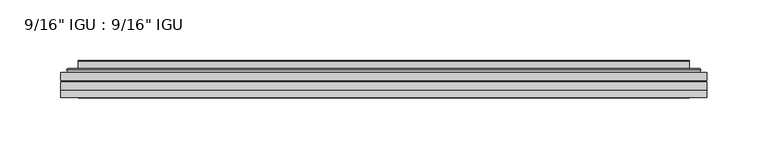
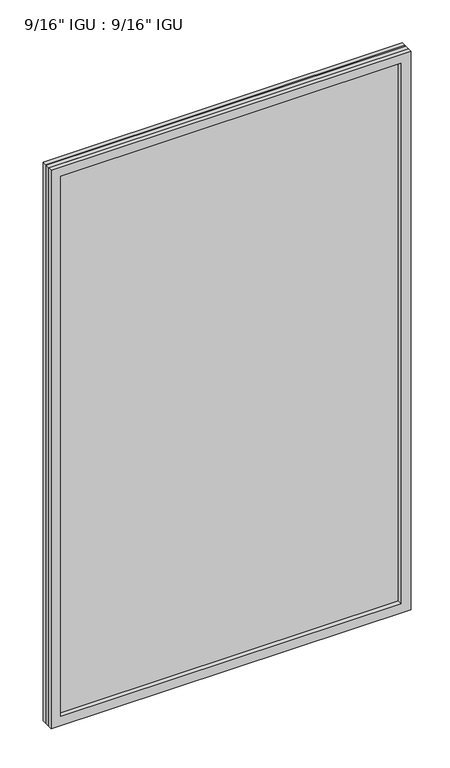
"""IFC4 building model written with IfcOpenShell, lengths in millimetres: plate geometry."""

import ifcopenshell
import ifcopenshell.guid

model = None  # the IFC model being written
_history = None  # IfcOwnerHistory: only IFC2X3 demands one
_inside = {}  # id of a spatial element -> (the spatial element, [elements in it])
_under = {}  # id of a project, library or spatial element -> (it, [spatial elements below it])
_declared = {}  # id of a project -> (the project, [libraries it declares])
_typed = {}  # id of a type object -> (the type object, [elements of that type])
_made_of = {}  # id of a material, layer set ... -> (it, [elements and type objects made of it])


def new_model(schema):
    """Start an empty IFC model of exactly this schema.

    Asked for "IFC4X3", IfcOpenShell would pick the latest addendum, in which some entities
    have other attributes; the version numbers below select the first issue.
    IFC2X3 requires an IfcOwnerHistory on every rooted entity: one is made here for all.
    """
    global model, _history
    if schema == "IFC4X3":
        model = ifcopenshell.file(schema_version=(4, 3, 0, 0))
    else:
        model = ifcopenshell.file(schema=schema)
    _inside.clear()
    _under.clear()
    _declared.clear()
    _typed.clear()
    _made_of.clear()
    _history = None
    if model.schema == "IFC2X3":
        org = make("IfcOrganization", Name="unknown")
        user = make(
            "IfcPersonAndOrganization",
            ThePerson=make("IfcPerson", FamilyName="unknown"),
            TheOrganization=org,
        )
        app = make(
            "IfcApplication",
            ApplicationDeveloper=org,
            Version="unknown",
            ApplicationFullName="unknown",
            ApplicationIdentifier="unknown",
        )
        _history = make(
            "IfcOwnerHistory",
            OwningUser=user,
            OwningApplication=app,
            ChangeAction="ADDED",
            CreationDate=0,
        )
    return model


def make(cls, **values):
    """One entity of the class cls with the attributes given. An attribute that is None is left unset."""
    return model.create_entity(
        cls, **{name: value for name, value in values.items() if value is not None}
    )


def rooted(cls, **values):
    """An entity with a GlobalId (a new one), such as an element, a storey or a relation."""
    return make(cls, GlobalId=ifcopenshell.guid.new(), OwnerHistory=_history, **values)


def si_unit(unit_type, name, prefix=None):
    """IfcSIUnit, for example si_unit("LENGTHUNIT", "METRE", prefix="MILLI")."""
    return make("IfcSIUnit", UnitType=unit_type, Prefix=prefix, Name=name)


def assignment(units):
    """IfcUnitAssignment: the units of a project."""
    return None if units is None else make("IfcUnitAssignment", Units=units)


def point(xyz):
    """IfcCartesianPoint."""
    return None if xyz is None else make("IfcCartesianPoint", Coordinates=xyz)


def direction(xyz):
    """IfcDirection."""
    return None if xyz is None else make("IfcDirection", DirectionRatios=xyz)


def frame(location, z_axis=None, x_axis=None):
    """IfcAxis2Placement3D, a coordinate frame: its origin and axes. An axis left out is left unset."""
    return make(
        "IfcAxis2Placement3D",
        Location=point(location),
        Axis=direction(z_axis),
        RefDirection=direction(x_axis),
    )


def origin():
    """The frame at (0, 0, 0) with its axes left unset."""
    return frame((0.0, 0.0, 0.0))


def place(relative_to, where):
    """IfcLocalPlacement: puts the frame where relative to a parent placement (None: the world)."""
    return make(
        "IfcLocalPlacement", PlacementRelTo=relative_to, RelativePlacement=where
    )


def context(
    kind, dimensions, precision=None, world=None, true_north=None, identifier=None
):
    """IfcGeometricRepresentationContext, for example the 3D "Model" context."""
    return make(
        "IfcGeometricRepresentationContext",
        ContextIdentifier=identifier,
        ContextType=kind,
        CoordinateSpaceDimension=dimensions,
        Precision=precision,
        WorldCoordinateSystem=world,
        TrueNorth=true_north,
    )


def project(units=None, contexts=None):
    """IfcProject with its units and contexts."""
    return rooted(
        "IfcProject",
        Name="project",
        RepresentationContexts=contexts,
        UnitsInContext=assignment(units),
    )


def spatial(cls, under=None, at=None, **own):
    """A site, building, storey or space (cls), placed at a placement, below another one or the project."""
    s = rooted(cls, ObjectPlacement=at, **own)
    if under is not None:
        _under.setdefault(under.id(), (under, []))[1].append(s)
    return s


def polyline(points):
    """IfcPolyline through the points."""
    return make("IfcPolyline", Points=[point(p) for p in points])


def ellipse_curve(where, semi_axis1, semi_axis2):
    """IfcEllipse in the frame where."""
    return make(
        "IfcEllipse", Position=where, SemiAxis1=semi_axis1, SemiAxis2=semi_axis2
    )


def outline(outer, holes=None, kind="AREA"):
    """IfcArbitraryClosedProfileDef: a profile drawn as a closed curve; with holes, ...WithVoids."""
    if holes is None:
        return make("IfcArbitraryClosedProfileDef", ProfileType=kind, OuterCurve=outer)
    return make(
        "IfcArbitraryProfileDefWithVoids",
        ProfileType=kind,
        OuterCurve=outer,
        InnerCurves=holes,
    )


def extrude(swept, where, along, depth):
    """IfcExtrudedAreaSolid: the profile swept, set in the frame where, extruded along a direction by depth."""
    return make(
        "IfcExtrudedAreaSolid",
        SweptArea=swept,
        Position=where,
        ExtrudedDirection=direction(along),
        Depth=depth,
    )


def faces_of(points, faces, orient=None, outer=None):
    """IfcFace entities. A face is a list of loops; a loop is a list of indices into points, from 0.

    orient and outer hold one flag for each loop. By default every Orientation is true, the
    first loop of a face is its IfcFaceOuterBound and the others are IfcFaceBound.
    """
    made = []
    for i, loops in enumerate(faces):
        bounds = []
        for j, loop in enumerate(loops):
            is_outer = j == 0 if outer is None else outer[i][j]
            bounds.append(
                make(
                    "IfcFaceOuterBound" if is_outer else "IfcFaceBound",
                    Bound=make("IfcPolyLoop", Polygon=[points[k] for k in loop]),
                    Orientation=True if orient is None else orient[i][j],
                )
            )
        made.append(make("IfcFace", Bounds=bounds))
    return made


def faceted_brep(points, faces, orient=None, outer=None, voids=None):
    """IfcFacetedBrep: a solid bounded by flat faces; with voids (closed shells), ...WithVoids."""
    shared = [point(p) for p in points]
    hull = make("IfcClosedShell", CfsFaces=faces_of(shared, faces, orient, outer))
    if voids is None:
        return make("IfcFacetedBrep", Outer=hull)
    return make(
        "IfcFacetedBrepWithVoids",
        Outer=hull,
        Voids=[
            make(cls, CfsFaces=faces_of(shared, fs, o, b)) for cls, fs, o, b in voids
        ],
    )


def shape(context_of_items, identifier, shape_type, items):
    """IfcShapeRepresentation: the items that make up one representation, for example the "Body"."""
    return make(
        "IfcShapeRepresentation",
        ContextOfItems=context_of_items,
        RepresentationIdentifier=identifier,
        RepresentationType=shape_type,
        Items=items,
    )


def source(mapping_origin, context_of_items, identifier, shape_type, items):
    """IfcRepresentationMap: a shape defined once, which mapped items show again and again."""
    return make(
        "IfcRepresentationMap",
        MappingOrigin=mapping_origin,
        MappedRepresentation=shape(context_of_items, identifier, shape_type, items),
    )


def transform(
    local_origin,
    x_axis=None,
    y_axis=None,
    z_axis=None,
    scale=None,
    scale2=None,
    scale3=None,
    uniform=True,
):
    """IfcCartesianTransformationOperator3D, or its non-uniform kind. x_axis, y_axis, z_axis: its Axis1, 2, 3."""
    if uniform:
        return make(
            "IfcCartesianTransformationOperator3D",
            Axis1=direction(x_axis),
            Axis2=direction(y_axis),
            LocalOrigin=point(local_origin),
            Scale=scale,
            Axis3=direction(z_axis),
        )
    return make(
        "IfcCartesianTransformationOperator3DnonUniform",
        Axis1=direction(x_axis),
        Axis2=direction(y_axis),
        LocalOrigin=point(local_origin),
        Scale=scale,
        Axis3=direction(z_axis),
        Scale2=scale2,
        Scale3=scale3,
    )


def mapped(mapping_source, mapping_target):
    """IfcMappedItem: shows the shape of a source again, moved by a transform."""
    return make(
        "IfcMappedItem", MappingSource=mapping_source, MappingTarget=mapping_target
    )


def made_of(thing, what):
    """Note that an element or type object is made of a material, layer set ...; save() writes the relation."""
    if what is not None:
        _made_of.setdefault(what.id(), (what, []))[1].append(thing)
    return thing


def element(
    cls,
    number,
    at=None,
    inside=None,
    cuts=None,
    type_object=None,
    material=None,
    context=None,
    identifier="Body",
    shape_type=None,
    held_by="IfcProductDefinitionShape",
    body=None,
    shapes=None,
    **own,
):
    """One element of the class cls, such as IfcWall. Its Tag is "e" and its number.

    at: its placement. inside: the storey or other place that contains it. cuts: it is an
    opening in that element (IfcRelVoidsElement). A single representation is given by context,
    identifier, shape_type and body (its items); several are given by shapes. held_by: the class
    of the entity that holds the representations. save() writes the other relations.
    """
    e = rooted(cls, Tag="e%d" % number, ObjectPlacement=at, **own)
    if body is not None:
        shapes = [shape(context, identifier, shape_type, body)]
    if shapes is not None:
        e.Representation = make(held_by, Representations=shapes)
    if inside is not None:
        _inside.setdefault(inside.id(), (inside, []))[1].append(e)
    if cuts is not None:
        rooted(
            "IfcRelVoidsElement", RelatingBuildingElement=cuts, RelatedOpeningElement=e
        )
    if type_object is not None:
        _typed.setdefault(type_object.id(), (type_object, []))[1].append(e)
    return made_of(e, material)


def aggregate(whole, parts):
    """IfcRelAggregates: a whole, such as a stair, and the parts it consists of."""
    return rooted("IfcRelAggregates", RelatingObject=whole, RelatedObjects=parts)


def save(model, path):
    """Write the relations noted so far, then the file.

    IfcRelAggregates (storeys below a building ...), IfcRelContainedInSpatialStructure (elements
    in a storey), IfcRelDefinesByType, IfcRelAssociatesMaterial and IfcRelDeclares: one each for
    every whole, place, type object, material and project.
    """
    for whole, parts in _under.values():
        aggregate(whole, parts)
    for where, things in _inside.values():
        rooted(
            "IfcRelContainedInSpatialStructure",
            RelatedElements=things,
            RelatingStructure=where,
        )
    for kind, things in _typed.values():
        rooted("IfcRelDefinesByType", RelatedObjects=things, RelatingType=kind)
    for what, things in _made_of.values():
        rooted("IfcRelAssociatesMaterial", RelatedObjects=things, RelatingMaterial=what)
    for by, libraries in _declared.values():
        rooted("IfcRelDeclares", RelatingContext=by, RelatedDefinitions=libraries)
    model.write(path)


def plane_surface(at):
    """IfcPlane: the flat surface through the origin of the frame at, square to its z axis."""
    return make("IfcPlane", Position=at)


def cylinder_surface(at, radius):
    """IfcCylindricalSurface: all points at the distance radius from the z axis of the frame at."""
    return make("IfcCylindricalSurface", Position=at, Radius=radius)


def advanced_brep(points, edges, surfaces, faces):
    """IfcAdvancedBrep: a solid bounded by faces that lie on surfaces and meet in shared edges.

    An edge is (start, end): straight between two places in points (the first is 0);
    or (start, end, curve); or (start, end, curve, False) where it runs against its curve.
    A face is (place in surfaces, loops), or (place, loops, False) where it looks against
    its surface's normal. A loop lists edges by number (the first is 1), with a minus sign
    where the edge is run from its end to its start. The first loop is the outer one.
    """
    corners = [point(p) for p in points]
    vertices = [make("IfcVertexPoint", VertexGeometry=c) for c in corners]
    made = []
    for start, end, *more in edges:
        made.append(
            make(
                "IfcEdgeCurve",
                EdgeStart=vertices[start],
                EdgeEnd=vertices[end],
                EdgeGeometry=more[0] if more else make("IfcPolyline", Points=[corners[start], corners[end]]),
                SameSense=more[1] if len(more) > 1 else True,
            )
        )
    hull = []
    for where, loops, *sense in faces:
        bounds = []
        for j, loop in enumerate(loops):
            ring = [make("IfcOrientedEdge", EdgeElement=made[abs(k) - 1], Orientation=k > 0) for k in loop]
            bounds.append(
                make(
                    "IfcFaceOuterBound" if j == 0 else "IfcFaceBound",
                    Bound=make("IfcEdgeLoop", EdgeList=ring),
                    Orientation=True,
                )
            )
        hull.append(make("IfcAdvancedFace", Bounds=bounds, FaceSurface=surfaces[where], SameSense=sense[0] if sense else True))
    return make("IfcAdvancedBrep", Outer=make("IfcClosedShell", CfsFaces=hull))


def plate_fac97e2d(model_context):
    return source(origin(), model_context, "Body", "SolidModel", [
        extrude(outline(polyline([(265.126675, -54.78145), (265.126675, -61.1317818), (-265.1125, -61.1317818), (-265.1125, -54.78145), (265.126675, -54.78145)])), frame((0.0, 0.0, -14.2875), z_axis=(0.0, 0.0, 1.0), x_axis=(1.0, 0.0, 0.0)), (0.0, 0.0, 1.0), 869.9537979),
        extrude(outline(polyline([(-265.1125, -69.05625), (-265.1125, -62.705745), (265.126675, -62.705745), (265.126675, -69.05625), (-265.1125, -69.05625)])), frame((0.0, 0.0, -14.2875), z_axis=(0.0, 0.0, 1.0), x_axis=(1.0, 0.0, 0.0)), (0.0, 0.0, 1.0), 869.9537979),
        faceted_brep([(-265.1252, -75.40625, 855.6752), (-265.1252, -69.05625, 855.6752), (-265.1252, -69.05625, -14.3002), (-265.1252, -75.40625, -14.3002), (265.1252, -69.05625, -14.3002), (265.1252, -75.40625, -14.3002), (265.1252, -69.05625, 855.6752), (265.1252, -75.40625, 855.6752), (-249.9272559, -69.05625, 0.8977441), (249.9272559, -69.05625, 0.8977441), (249.9272559, -69.05625, 840.4772559), (-249.9272559, -69.05625, 840.4772559), (-250.8196902, -75.40625, 841.3696902), (250.8196902, -75.40625, 841.3696902), (250.8196902, -75.40625, 0.0053098), (-250.8196902, -75.40625, 0.0053098)], [[[0, 1, 2, 3]], [[3, 2, 4, 5]], [[5, 4, 6, 7]], [[1, 6, 4, 2], [8, 9, 10, 11]], [[7, 6, 1, 0]], [[3, 5, 7, 0], [12, 13, 14, 15]], [[11, 12, 15, 8]], [[8, 15, 14, 9]], [[9, 14, 13, 10]], [[10, 13, 12, 11]]]),
        advanced_brep(
        [(-257.871219, -54.78145, 848.421219), (-260.2254244, -52.7917833, 850.7754244), (-260.2254244, -52.7917833, -9.4004244), (-257.871219, -54.78145, -7.046219), (-248.7968939, -50.941413, 839.3468939), (-243.8620621, -54.78145, 834.4120621), (-243.8620621, -54.78145, 6.9629379), (-248.7968939, -50.941413, 2.0281061), (-249.8289217, -45.5441819, 840.3789217), (-249.8289217, -45.5441819, 0.9960783), (-250.8195784, -45.1452069, 841.3695784), (-250.8195784, -45.1452069, 0.0054216), (-250.8195784, -51.60645, 841.3695784), (-250.8195784, -51.60645, 0.0054216), (-259.2236349, -51.60645, 849.7736349), (-259.2236349, -51.60645, -8.3986349), (260.2254244, -52.7917833, -9.4004244), (257.871219, -54.78145, -7.046219), (243.8620621, -54.78145, 6.9629379), (248.7968939, -50.941413, 2.0281061), (249.8289217, -45.5441819, 0.9960783), (250.8195784, -45.1452069, 0.0054216), (250.8195784, -51.60645, 0.0054216), (259.2236349, -51.60645, -8.3986349), (260.2254244, -52.7917833, 850.7754244), (257.871219, -54.78145, 848.421219), (243.8620621, -54.78145, 834.4120621), (248.7968939, -50.941413, 839.3468939), (249.8289217, -45.5441819, 840.3789217), (250.8195784, -45.1452069, 841.3695784), (250.8195784, -51.60645, 841.3695784), (259.2236349, -51.60645, 849.7736349)],
        [
            (0, 1, ellipse_curve(frame((-257.871219, -52.39385, 848.421219), z_axis=(-0.7071067811865475, 0.0, -0.7071067811865475), x_axis=(-0.7071067811865474, 0.0, 0.7071067811865476)), 3.3765763, 2.3876)),
            (1, 2),
            (2, 3, ellipse_curve(frame((-257.871219, -52.39385, -7.046219), z_axis=(-0.7071067811865475, 0.0, 0.7071067811865475), x_axis=(0.7071067811865474, 0.0, 0.7071067811865476)), 3.3765763, 2.3876)),
            (3, 0),
            (4, 5),
            (5, 6),
            (6, 7),
            (7, 4),
            (8, 4),
            (7, 9),
            (9, 8),
            (10, 8, ellipse_curve(frame((-250.4526219, -45.6634423, 841.0026219), z_axis=(-0.7071067811865475, 0.0, -0.7071067811865475), x_axis=(-0.7071067811865474, 0.0, 0.7071067811865476)), 0.8980256, 0.635)),
            (9, 11, ellipse_curve(frame((-250.4526219, -45.6634423, 0.3723781), z_axis=(-0.7071067811865475, 0.0, 0.7071067811865475), x_axis=(0.7071067811865474, 0.0, 0.7071067811865476)), 0.8980256, 0.635)),
            (11, 10),
            (12, 10),
            (11, 13),
            (13, 12),
            (1, 14, ellipse_curve(frame((-259.2236349, -52.62245, 849.7736349), z_axis=(-0.7071067811865475, 0.0, -0.7071067811865475), x_axis=(-0.7071067811865474, 0.0, 0.7071067811865476)), 1.436841, 1.016)),
            (14, 15),
            (15, 2, ellipse_curve(frame((-259.2236349, -52.62245, -8.3986349), z_axis=(-0.7071067811865475, 0.0, 0.7071067811865475), x_axis=(0.7071067811865474, 0.0, 0.7071067811865476)), 1.436841, 1.016)),
            (2, 16),
            (16, 17, ellipse_curve(frame((257.871219, -52.39385, -7.046219), z_axis=(-0.7071067811865475, 0.0, -0.7071067811865475), x_axis=(-0.7071067811865476, 0.0, 0.7071067811865474)), 3.3765763, 2.3876)),
            (17, 3),
            (6, 18),
            (18, 19),
            (19, 7),
            (19, 20),
            (20, 9),
            (20, 21, ellipse_curve(frame((250.4526219, -45.6634423, 0.3723781), z_axis=(-0.7071067811865475, 0.0, -0.7071067811865475), x_axis=(-0.7071067811865476, 0.0, 0.7071067811865474)), 0.8980256, 0.635)),
            (21, 11),
            (21, 22),
            (22, 13),
            (15, 23),
            (23, 16, ellipse_curve(frame((259.2236349, -52.62245, -8.3986349), z_axis=(-0.7071067811865475, 0.0, -0.7071067811865475), x_axis=(-0.7071067811865476, 0.0, 0.7071067811865474)), 1.436841, 1.016)),
            (16, 24),
            (24, 25, ellipse_curve(frame((257.871219, -52.39385, 848.421219), z_axis=(0.7071067811865475, 0.0, -0.7071067811865475), x_axis=(-0.7071067811865474, 0.0, -0.7071067811865476)), 3.3765763, 2.3876)),
            (25, 17),
            (18, 26),
            (26, 27),
            (27, 19),
            (27, 28),
            (28, 20),
            (28, 29, ellipse_curve(frame((250.4526219, -45.6634423, 841.0026219), z_axis=(0.7071067811865475, 0.0, -0.7071067811865475), x_axis=(-0.7071067811865474, 0.0, -0.7071067811865476)), 0.8980256, 0.635)),
            (29, 21),
            (29, 30),
            (30, 22),
            (23, 31),
            (31, 24, ellipse_curve(frame((259.2236349, -52.62245, 849.7736349), z_axis=(0.7071067811865475, 0.0, -0.7071067811865475), x_axis=(-0.7071067811865474, 0.0, -0.7071067811865476)), 1.436841, 1.016)),
            (24, 1),
            (0, 25),
            (5, 26),
            (4, 27),
            (8, 28),
            (10, 29),
            (12, 30),
            (14, 31),
        ],
        [
            cylinder_surface(frame((-257.871219, -52.39385, 873.125), z_axis=(0.0, 0.0, 1.0), x_axis=(-1.0, 0.0, 0.0)), 2.3876),
            plane_surface(frame((-243.8620621, -54.78145, 834.4120621), z_axis=(0.6141233906514794, 0.7892100234124821, 0.0), x_axis=(0.0, 0.0, -1.0))),
            plane_surface(frame((-248.7968939, -50.941413, 839.3468939), z_axis=(0.9822050625507728, 0.18781164793386088, 0.0), x_axis=(0.0, 0.0, -1.0))),
            cylinder_surface(frame((-250.4526219, -45.6634423, 873.125), z_axis=(0.0, 0.0, 1.0), x_axis=(-1.0, 0.0, 0.0)), 0.635),
            plane_surface(frame((-250.8195784, -45.1452069, 841.3695784), z_axis=(-1.0, 0.0, 0.0), x_axis=(0.0, 0.0, -1.0))),
            cylinder_surface(frame((-259.2236349, -52.62245, 873.125), z_axis=(0.0, 0.0, 1.0), x_axis=(-1.0, 0.0, 0.0)), 1.016),
            cylinder_surface(frame((-282.575, -52.39385, -7.046219), z_axis=(-1.0, 0.0, 0.0), x_axis=(0.0, 0.0, -1.0)), 2.3876),
            plane_surface(frame((-243.8620621, -54.78145, 6.9629379), z_axis=(0.0, 0.7892100234124841, 0.6141233906514768), x_axis=(1.0, 0.0, 0.0))),
            plane_surface(frame((-248.7968939, -50.941413, 2.0281061), z_axis=(0.0, 0.18781164793386404, 0.9822050625507722), x_axis=(1.0, 0.0, 0.0))),
            cylinder_surface(frame((-282.575, -45.6634423, 0.3723781), z_axis=(-1.0, 0.0, 0.0), x_axis=(0.0, 0.0, -1.0)), 0.635),
            plane_surface(frame((-250.8195784, -45.1452069, 0.0054216), z_axis=(0.0, 0.0, -1.0), x_axis=(1.0, 0.0, 0.0))),
            cylinder_surface(frame((-282.575, -52.62245, -8.3986349), z_axis=(-1.0, 0.0, 0.0), x_axis=(0.0, 0.0, -1.0)), 1.016),
            cylinder_surface(frame((257.871219, -52.39385, -31.75), z_axis=(0.0, 0.0, -1.0), x_axis=(1.0, 0.0, 0.0)), 2.3876),
            plane_surface(frame((243.8620621, -54.78145, 6.9629379), z_axis=(-0.6141233906514743, 0.7892100234124861, 0.0), x_axis=(0.0, 0.0, 1.0))),
            plane_surface(frame((248.7968939, -50.941413, 2.0281061), z_axis=(-0.9822050625507717, 0.1878116479338672, 0.0), x_axis=(0.0, 0.0, 1.0))),
            cylinder_surface(frame((250.4526219, -45.6634423, -31.75), z_axis=(0.0, 0.0, -1.0), x_axis=(1.0, 0.0, 0.0)), 0.635),
            plane_surface(frame((250.8195784, -45.1452069, 0.0054216), z_axis=(1.0, 0.0, 0.0), x_axis=(0.0, 0.0, 1.0))),
            cylinder_surface(frame((259.2236349, -52.62245, -31.75), z_axis=(0.0, 0.0, -1.0), x_axis=(1.0, 0.0, 0.0)), 1.016),
            cylinder_surface(frame((282.575, -52.39385, 848.421219), z_axis=(1.0, 0.0, 0.0), x_axis=(0.0, 0.0, 1.0)), 2.3876),
            plane_surface(frame((257.871219, -54.78145, 848.421219), z_axis=(0.0, -1.0, 0.0), x_axis=(-1.0, 0.0, 0.0))),
            plane_surface(frame((243.8620621, -54.78145, 834.4120621), z_axis=(0.0, 0.7892100234124841, -0.6141233906514768), x_axis=(-1.0, 0.0, 0.0))),
            plane_surface(frame((248.7968939, -50.941413, 839.3468939), z_axis=(0.0, 0.18781164793386404, -0.9822050625507722), x_axis=(-1.0, 0.0, 0.0))),
            cylinder_surface(frame((282.575, -45.6634423, 841.0026219), z_axis=(1.0, 0.0, 0.0), x_axis=(0.0, 0.0, 1.0)), 0.635),
            plane_surface(frame((250.8195784, -45.1452069, 841.3695784), z_axis=(0.0, 0.0, 1.0), x_axis=(-1.0, 0.0, 0.0))),
            plane_surface(frame((250.8195784, -51.60645, 841.3695784), z_axis=(0.0, 1.0, 0.0), x_axis=(-1.0, 0.0, 0.0))),
            cylinder_surface(frame((282.575, -52.62245, 849.7736349), z_axis=(1.0, 0.0, 0.0), x_axis=(0.0, 0.0, 1.0)), 1.016),
        ],
        [
            (0, [[1, 2, 3, 4]]),
            (1, [[5, 6, 7, 8]]),
            (2, [[9, -8, 10, 11]]),
            (3, [[12, -11, 13, 14]]),
            (4, [[15, -14, 16, 17]]),
            (5, [[18, 19, 20, -2]]),
            (6, [[-3, 21, 22, 23]]),
            (7, [[-7, 24, 25, 26]]),
            (8, [[-10, -26, 27, 28]]),
            (9, [[-13, -28, 29, 30]]),
            (10, [[-16, -30, 31, 32]]),
            (11, [[-20, 33, 34, -21]]),
            (12, [[-22, 35, 36, 37]]),
            (13, [[-25, 38, 39, 40]]),
            (14, [[-27, -40, 41, 42]]),
            (15, [[-29, -42, 43, 44]]),
            (16, [[-31, -44, 45, 46]]),
            (17, [[-34, 47, 48, -35]]),
            (18, [[-36, 49, -1, 50]]),
            (19, [[-23, -37, -50, -4], [51, -38, -24, -6]]),
            (20, [[-39, -51, -5, 52]]),
            (21, [[-41, -52, -9, 53]]),
            (22, [[-43, -53, -12, 54]]),
            (23, [[-45, -54, -15, 55]]),
            (24, [[56, -47, -33, -19], [-32, -46, -55, -17]]),
            (25, [[-48, -56, -18, -49]]),
        ],
    ),
    ])


if __name__ == "__main__":
    model = new_model("IFC4")
    model_context = context("Model", 3, world=origin())
    ifc_project = project(units=[si_unit("LENGTHUNIT", "METRE", prefix="MILLI")], contexts=[model_context])
    site = spatial("IfcSite", under=ifc_project)
    building = spatial("IfcBuilding", under=site)
    placement = place(None, origin())
    plate_shape = plate_fac97e2d(model_context)
    element("IfcPlate", 1, ObjectType="9/16\" IGU : 9/16\" IGU", at=placement, inside=building, context=model_context, shape_type="MappedRepresentation", body=[
        mapped(plate_shape, transform((0.0, 0.0, 0.0), x_axis=(1.0, 0.0, 0.0), y_axis=(0.0, 1.0, 0.0), z_axis=(0.0, 0.0, 1.0))),
    ])
    save(model, "model.ifc")
